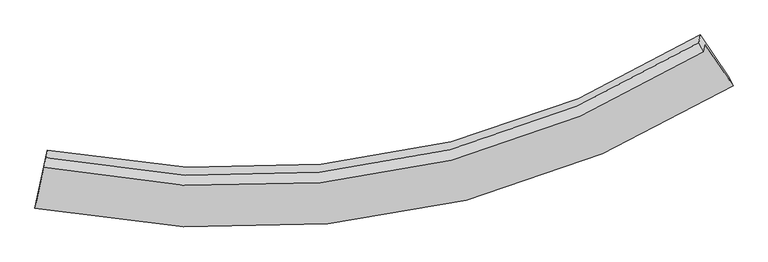
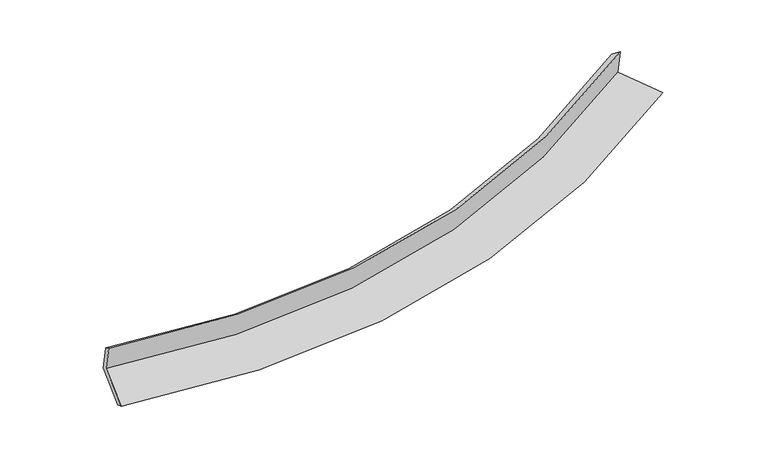
"""IFC4 building model written with IfcOpenShell, lengths in millimetres: proxy geometry."""

from ifc_helpers import new_model, si_unit, frame, origin, place, context, project, spatial, source, transform, mapped, element, save
from ifc_brep_helpers import plane_surface, spline_curve, spline_surface, advanced_brep


def generic_models_41fbf596(model_context):
    return source(origin(), model_context, "Body", "AdvancedBrep", [
        advanced_brep(
        [(-4647.6601909, -2112.4971256, 1945.5271442), (-4628.4734581, -2011.406606, 1556.0702251), (3884.9160077, -519.9807693, 2361.4721392), (3865.635514, -621.5652937, 2752.8322396), (-4622.1123772, -1990.6488101, 1868.2398351), (3808.8479828, -501.4863764, 2664.0093759), (-4603.0815367, -1890.379651, 1481.9472535), (3827.7296132, -402.003371, 2280.7454961), (-4735.0550139, -2503.4863713, 1316.3027018), (4190.7939614, -937.0677751, 2159.7464389), (-4763.5516468, -2638.9368264, 1386.5288408), (4251.1668665, -1059.7412787, 2239.4111084)],
        [
            (0, 1),
            (1, 2, spline_curve(3, [(-4628.4734581, -2011.406606, 1556.0702251), (-2782.395701537, -2370.417376446, 1569.76244459), (-1028.586019771, -2338.887528133, 1670.650717123), (1759.346435058, -1630.687415131, 1986.241005222), (2843.333241377, -1165.075318162, 2153.820037368), (3884.9160077, -519.9807693, 2361.4721392)], [4, 2, 4], [0.0, 17.30738999665183, 29.04040082678965])),
            (2, 3),
            (3, 0, spline_curve(3, [(3865.635514, -621.5652937, 2752.8322396), (2823.969940389, -1267.096135352, 2546.860981522), (1739.938884442, -1732.941373419, 2380.180136584), (-1048.007657885, -2441.215709814, 2064.8758006), (-2801.741836553, -2472.347749837, 1962.454946789), (-4647.6601909, -2112.4971256, 1945.5271442)], [4, 2, 4], [0.0, 11.733010830137822, 29.04040082678965])),
            (4, 0),
            (3, 5),
            (5, 4, spline_curve(3, [(3808.8479828, -501.4863764, 2664.0093759), (2778.253744962, -1139.124823888, 2454.112056831), (1705.300950301, -1600.17010567, 2285.719042388), (-1055.20862128, -2304.218162375, 1971.656518379), (-2792.575946263, -2339.560358379, 1874.793018954), (-4622.1123772, -1990.6488101, 1868.2398351)], [4, 2, 4], [0.0, 11.676712671988465, 28.90105713213731])),
            (6, 4),
            (5, 7),
            (7, 6, spline_curve(3, [(3827.7296132, -402.003371, 2280.7454961), (2797.432464953, -1038.076522402, 2064.817785585), (1724.664846977, -1498.146148583, 1892.666003934), (-1035.663386678, -2201.238780415, 1574.922649654), (-2773.166152679, -2237.294580561, 1480.808349993), (-4603.0815367, -1890.379651, 1481.9472535)], [4, 2, 4], [0.0, 11.620398875037505, 28.761674729852835])),
            (8, 6),
            (7, 9),
            (9, 8, spline_curve(3, [(4190.7939614, -937.0677751, 2159.7464389), (3100.39618342, -1610.516056532, 1931.156465241), (1964.874155145, -2097.106790568, 1749.029036874), (-957.346035858, -2838.977060104, 1413.244587126), (-2797.106999471, -2874.525857336, 1314.224103186), (-4735.0550139, -2503.4863713, 1316.3027018)], [4, 2, 4], [0.0, 11.961016492897592, 29.604738142520546])),
            (10, 8),
            (9, 11),
            (11, 10, spline_curve(3, [(4251.1668665, -1059.7412787, 2239.4111084), (3148.675093748, -1740.100931766, 2019.604613394), (2001.109786747, -2231.505895319, 1842.198363363), (-950.793222243, -2980.101233708, 1508.044703281), (-2808.134086576, -3015.094785257, 1401.156864712), (-4763.5516468, -2638.9368264, 1386.5288408)], [4, 2, 4], [0.0, 12.361530694801232, 30.59605172165979])),
            (1, 10),
            (11, 2),
        ],
        [
            spline_surface(3, 3, [[(-4647.6601909, -2112.4971256, 1945.5271442), (-2801.74183667, -2472.347749553, 1962.454946964), (-1048.007657834, -2441.215710021, 2064.87580064), (1739.938884407, -1732.941373279, 2380.180136557), (2823.96994052, -1267.09613554, 2546.860981377), (3865.635514, -621.5652937, 2752.8322396)], [(-4641.264613313, -2078.800285725, 1815.708171152), (-2795.293125032, -2438.370958488, 1831.557446189), (-1041.533778479, -2407.106315985, 1933.467439456), (1746.408067918, -1698.856720582, 2248.867092771), (2830.424374189, -1233.089196393, 2415.84733342), (3872.062345219, -587.703785566, 2622.378872812)], [(-4634.869035687, -2045.103445875, 1685.889198148), (-2788.844413358, -2404.394167446, 1700.659945457), (-1035.059899053, -2372.996922005, 1802.0590783), (1752.877251498, -1664.772067939, 2117.554049013), (2836.8788079, -1199.082257246, 2284.833685428), (3878.489176481, -553.842277434, 2491.925505988)], [(-4628.4734581, -2011.406606, 1556.0702251), (-2782.395701721, -2370.41737638, 1569.762444683), (-1028.586019697, -2338.887527969, 1670.650717116), (1759.346435009, -1630.687415242, 1986.241005227), (2843.333241569, -1165.075318099, 2153.820037471), (3884.9160077, -519.9807693, 2361.4721392)]], [4, 4], [4, 2, 4], [0.0, 1.33702041537396], [0.0, 17.30738999665183, 29.04040082678965]),
            spline_surface(3, 3, [[(-4622.1123772, -1990.6488101, 1868.2398351), (-2792.575946363, -2339.560358515, 1874.79301911), (-1055.208621158, -2304.218162502, 1971.656518276), (1705.300950218, -1600.170105584, 2285.719042458), (2778.253745014, -1139.124823736, 2454.112056926), (3808.8479828, -501.4863764, 2664.0093759)], [(-4630.628315086, -2031.264915274, 1894.002271456), (-2795.631243118, -2383.822822201, 1904.013661718), (-1052.808300051, -2349.884011692, 2002.729612398), (1716.846928281, -1644.427194833, 2317.206073825), (2793.492476874, -1181.781927684, 2485.028365068), (3827.777159891, -541.51268218, 2693.616997125)], [(-4639.144253014, -2071.881020426, 1919.764707844), (-2798.686539915, -2428.085285867, 1933.234304357), (-1050.407978942, -2395.549860831, 2033.802706518), (1728.392906345, -1688.68428403, 2348.69310519), (2808.73120866, -1224.439031592, 2515.944673235), (3846.706336909, -581.53898792, 2723.224618375)], [(-4647.6601909, -2112.4971256, 1945.5271442), (-2801.74183667, -2472.347749553, 1962.454946964), (-1048.007657834, -2441.215710021, 2064.87580064), (1739.938884407, -1732.941373279, 2380.180136557), (2823.96994052, -1267.09613554, 2546.860981377), (3865.635514, -621.5652937, 2752.8322396)]], [4, 4], [4, 2, 4], [0.0, 0.5411671363279186], [0.0, 17.224344460148846, 28.90105713213731]),
            spline_surface(3, 3, [[(-4603.0815367, -1890.379651, 1481.9472535), (-2773.166152463, -2237.294580366, 1480.808350196), (-1035.663386862, -2201.238780183, 1574.922649446), (1724.664847101, -1498.146148741, 1892.666004075), (2797.432464779, -1038.07652222, 2064.817785698), (3827.7296132, -402.003371, 2280.7454961)], [(-4609.42515022, -1923.802704051, 1610.711447392), (-2779.636083783, -2271.383173099, 1612.136573192), (-1042.178464948, -2235.565240938, 1707.167272389), (1718.210214819, -1532.154134337, 2023.683683536), (2791.03955816, -1071.759289371, 2194.582542785), (3821.435736369, -435.164372779, 2408.500122711)], [(-4615.76876368, -1957.225757049, 1739.475641208), (-2786.106015044, -2305.471765781, 1743.464796114), (-1048.693543071, -2269.891701747, 1839.411895332), (1711.7555825, -1566.162119987, 2154.701362997), (2784.646651633, -1105.442056585, 2324.347299839), (3815.141859631, -468.325374621, 2536.254749289)], [(-4622.1123772, -1990.6488101, 1868.2398351), (-2792.575946363, -2339.560358515, 1874.79301911), (-1055.208621158, -2304.218162502, 1971.656518276), (1705.300950218, -1600.170105584, 2285.719042458), (2778.253745014, -1139.124823736, 2454.112056926), (3808.8479828, -501.4863764, 2664.0093759)]], [4, 4], [4, 2, 4], [0.0, 1.3411296088351474], [0.0, 17.14127585481533, 28.761674729852835]),
            spline_surface(3, 3, [[(-4735.0550139, -2503.4863713, 1316.3027018), (-2797.106999711, -2874.525857562, 1314.224103311), (-957.346036052, -2838.977059841, 1413.244587218), (1964.874155277, -2097.106790746, 1749.029036811), (3100.396183379, -1610.516056431, 1931.156465227), (4190.7939614, -937.0677751, 2159.7464389)], [(-4691.06385484, -2299.117464525, 1371.517552369), (-2789.126717302, -2662.115431822, 1369.752185608), (-983.451819667, -2626.39763331, 1467.137274609), (1884.804385873, -1897.453243434, 1796.908025881), (2999.40827718, -1419.702878386, 1975.710238695), (4069.772512001, -758.712973758, 2200.079457945)], [(-4647.07269576, -2094.748557775, 1426.732402931), (-2781.146434872, -2449.705006106, 1425.280267898), (-1009.557603247, -2413.818206713, 1521.029962055), (1804.734616505, -1697.799696053, 1844.787015006), (2898.420370978, -1228.889700265, 2020.26401223), (3948.751062599, -580.358172342, 2240.412477055)], [(-4603.0815367, -1890.379651, 1481.9472535), (-2773.166152463, -2237.294580366, 1480.808350196), (-1035.663386862, -2201.238780183, 1574.922649446), (1724.664847101, -1498.146148741, 1892.666004075), (2797.432464779, -1038.07652222, 2064.817785698), (3827.7296132, -402.003371, 2280.7454961)]], [4, 4], [4, 2, 4], [0.0, 2.1510636640840657], [0.0, 17.643721649622954, 29.604738142520546]),
            spline_surface(3, 3, [[(-4763.5516468, -2638.9368264, 1386.5288408), (-2808.13408663, -3015.094785511, 1401.15686447), (-950.793222336, -2980.10123344, 1508.044703497), (2001.10978681, -2231.505895501, 1842.198363217), (3148.67509361, -1740.100931715, 2019.604613431), (4251.1668665, -1059.7412787, 2239.4111084)], [(-4754.052769163, -2593.78667469, 1363.120127773), (-2804.458390987, -2968.238476185, 1372.179277389), (-952.97749357, -2933.059842222, 1476.444664736), (1989.03124297, -2186.706193898, 1811.14192108), (3132.582123536, -1696.905973284, 1990.121897378), (4231.042564803, -1018.85011083, 2212.856218581)], [(-4744.553891537, -2548.63652301, 1339.711414827), (-2800.782695354, -2921.382166888, 1343.201690391), (-955.161764817, -2886.018451058, 1444.844625979), (1976.952699117, -2141.906492349, 1780.085478948), (3116.489153453, -1653.711014863, 1960.63918128), (4210.918263097, -977.95894297, 2186.301328719)], [(-4735.0550139, -2503.4863713, 1316.3027018), (-2797.106999711, -2874.525857562, 1314.224103311), (-957.346036052, -2838.977059841, 1413.244587218), (1964.874155277, -2097.106790746, 1749.029036811), (3100.396183379, -1610.516056431, 1931.156465227), (4190.7939614, -937.0677751, 2159.7464389)]], [4, 4], [4, 2, 4], [0.0, 0.5514006460585151], [0.0, 18.23452102685856, 30.59605172165979]),
            spline_surface(3, 3, [[(-4628.4734581, -2011.406606, 1556.0702251), (-2782.395701721, -2370.41737638, 1569.762444683), (-1028.586019697, -2338.887527969, 1670.650717116), (1759.346435009, -1630.687415242, 1986.241005227), (2843.333241569, -1165.075318099, 2153.820037471), (3884.9160077, -519.9807693, 2361.4721392)], [(-4673.499520979, -2220.583346135, 1499.556430358), (-2790.975163336, -2585.309846092, 1513.560584637), (-1002.655087224, -2552.625429808, 1616.448712604), (1839.934218962, -1830.96024201, 1938.226791251), (2945.113858933, -1356.750522625, 2109.081562784), (4006.999627316, -699.900939087, 2320.785128926)], [(-4718.525583921, -2429.760086265, 1443.042635542), (-2799.554625015, -2800.202315799, 1457.358724516), (-976.724154809, -2766.363331601, 1562.246708008), (1920.522002857, -2031.233068733, 1890.212577192), (3046.894476247, -1548.42572719, 2064.343088118), (4129.083246884, -879.821108913, 2280.098118674)], [(-4763.5516468, -2638.9368264, 1386.5288408), (-2808.13408663, -3015.094785511, 1401.15686447), (-950.793222336, -2980.10123344, 1508.044703497), (2001.10978681, -2231.505895501, 1842.198363217), (3148.67509361, -1740.100931715, 2019.604613431), (4251.1668665, -1059.7412787, 2239.4111084)]], [4, 4], [4, 2, 4], [0.0, 2.161807357731493], [0.0, 17.815150770928167, 29.892382345202222]),
            plane_surface(frame((3971.5149909, -673.6408107, 2409.7027997), z_axis=(0.8325451405724594, 0.5248355980036428, 0.1772461113179721), x_axis=(-0.5519056766120758, 0.8133684384061175, 0.18393451967523908))),
            plane_surface(frame((-4666.6557039, -2191.2258984, 1592.4360001), z_axis=(-0.9779246652977936, 0.20887050584783406, 0.0060382769949910015), x_axis=(-0.04763100914898781, -0.25095692553295545, 0.9668256867163262))),
        ],
        [
            (0, [[1, 2, 3, 4]]),
            (1, [[5, -4, 6, 7]]),
            (2, [[8, -7, 9, 10]]),
            (3, [[11, -10, 12, 13]]),
            (4, [[14, -13, 15, 16]]),
            (5, [[17, -16, 18, -2]]),
            (6, [[-12, -9, -6, -3, -18, -15]]),
            (7, [[-1, -5, -8, -11, -14, -17]]),
        ],
    ),
    ])


if __name__ == "__main__":
    model = new_model("IFC4")
    model_context = context("Model", 3, world=origin())
    ifc_project = project(units=[si_unit("LENGTHUNIT", "METRE", prefix="MILLI")], contexts=[model_context])
    site = spatial("IfcSite", under=ifc_project)
    building = spatial("IfcBuilding", under=site)
    placement = place(None, origin())
    generic_models_shape = generic_models_41fbf596(model_context)
    element("IfcBuildingElementProxy", 1, Name="Generic Models", at=placement, inside=building, context=model_context, shape_type="MappedRepresentation", body=[
        mapped(generic_models_shape, transform((0.0, 0.0, 0.0), x_axis=(1.0, 0.0, 0.0), y_axis=(0.0, 1.0, 0.0), z_axis=(0.0, 0.0, 1.0))),
    ])
    save(model, "model.ifc")
